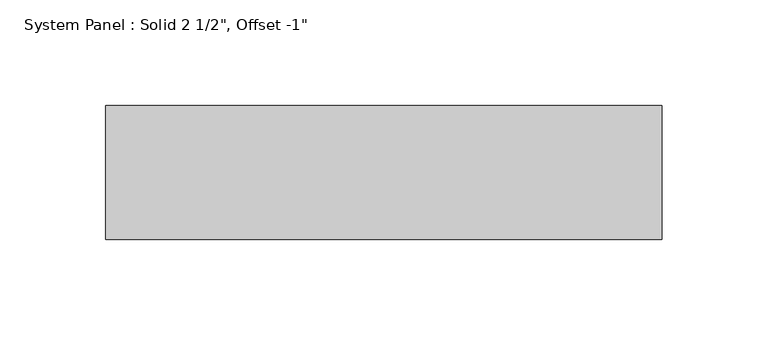
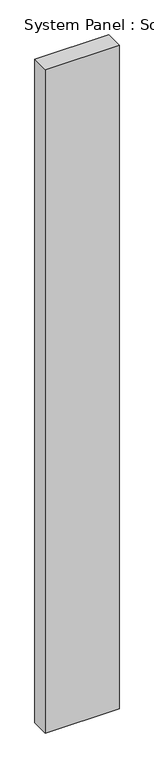
"""IFC4 building model written with IfcOpenShell, lengths in millimetres: plate geometry."""

from ifc_helpers import new_model, si_unit, origin, origin_with_axes, place, context, project, spatial, polyline, outline, extrude, source, transform, mapped, element, save


def plate_f8f7114a(model_context):
    return source(origin(), model_context, "Body", "SweptSolid", [
        extrude(outline(polyline([(131.7625, -57.15), (-131.7625, -57.15), (-131.7625, 6.35), (131.7625, 6.35), (131.7625, -57.15)])), origin_with_axes(), (0.0, 0.0, 1.0), 2504.0166667),
    ])


if __name__ == "__main__":
    model = new_model("IFC4")
    model_context = context("Model", 3, world=origin())
    ifc_project = project(units=[si_unit("LENGTHUNIT", "METRE", prefix="MILLI")], contexts=[model_context])
    site = spatial("IfcSite", under=ifc_project)
    building = spatial("IfcBuilding", under=site)
    placement = place(None, origin())
    plate_shape = plate_f8f7114a(model_context)
    element("IfcPlate", 1, ObjectType="System Panel : Solid 2 1/2\", Offset -1\"", at=placement, inside=building, context=model_context, shape_type="MappedRepresentation", body=[
        mapped(plate_shape, transform((0.0, 0.0, 0.0), x_axis=(1.0, 0.0, 0.0), y_axis=(0.0, 1.0, 0.0), z_axis=(0.0, 0.0, 1.0))),
    ])
    save(model, "model.ifc")
